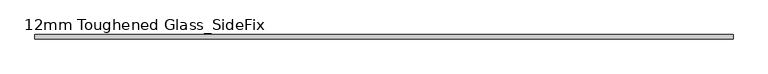
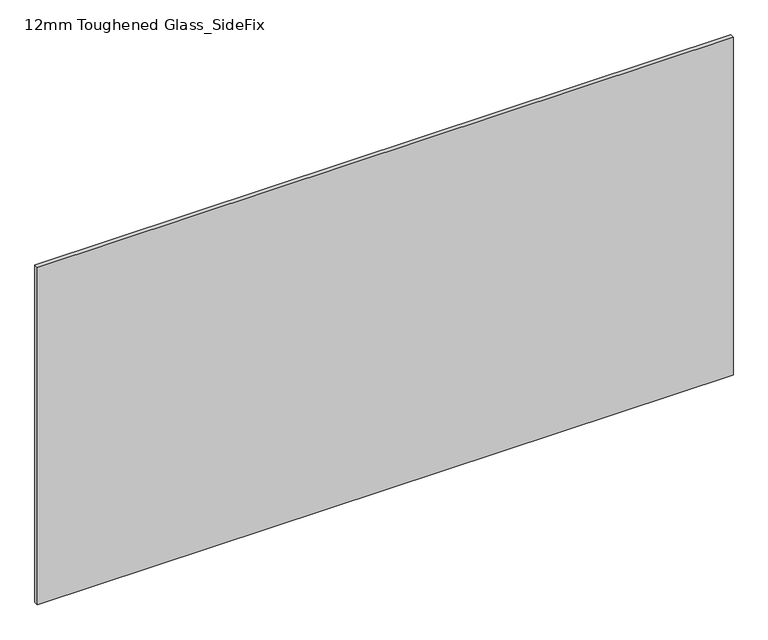
"""IFC4 building model written with IfcOpenShell, lengths in millimetres: plate geometry, 12mm Toughened Glass_SideFix."""

from ifc_helpers import new_model, si_unit, origin, origin_with_axes, place, context, project, spatial, polyline, outline, extrude, source, transform, mapped, element, save


def plate_12mm_toughened_glass_sidefix_7f77cc80(model_context):
    return source(origin(), model_context, "Body", "SweptSolid", [
        extrude(outline(polyline([(945.0000001, -26.0), (945.0000001, -38.0), (-945.0000001, -38.0), (-945.0000001, -26.0), (945.0000001, -26.0)])), origin_with_axes(), (0.0, 0.0, 1.0), 970.0),
    ])


if __name__ == "__main__":
    model = new_model("IFC4")
    model_context = context("Model", 3, world=origin())
    ifc_project = project(units=[si_unit("LENGTHUNIT", "METRE", prefix="MILLI")], contexts=[model_context])
    site = spatial("IfcSite", under=ifc_project)
    building = spatial("IfcBuilding", under=site)
    placement = place(None, origin())
    plate_12mm_toughened_glass_sidefix_shape = plate_12mm_toughened_glass_sidefix_7f77cc80(model_context)
    element("IfcPlate", 1, ObjectType="12mm Toughened Glass_SideFix", at=placement, inside=building, context=model_context, shape_type="MappedRepresentation", body=[
        mapped(plate_12mm_toughened_glass_sidefix_shape, transform((0.0, 0.0, 0.0), x_axis=(1.0, 0.0, 0.0), y_axis=(0.0, 1.0, 0.0), z_axis=(0.0, 0.0, 1.0))),
    ])
    save(model, "model.ifc")
